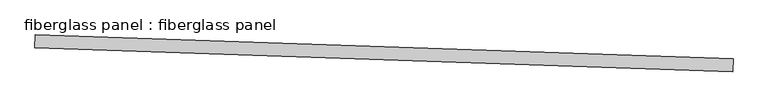
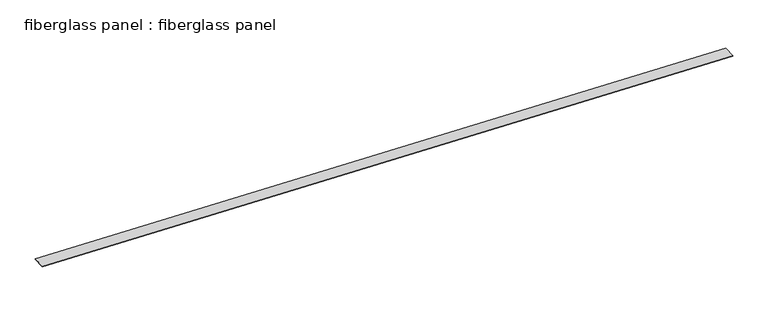
"""IFC4 building model written with IfcOpenShell, lengths in millimetres: proxy geometry, fiberglass panel : fiberglass panel."""

from ifc_helpers import new_model, si_unit, frame, origin, place, context, project, spatial, polyline, outline, extrude, source, transform, mapped, element, save


def fiberglass_panel_fiberglass_panel_1d20606c(model_context):
    return source(origin(), model_context, "Body", "SweptSolid", [
        extrude(outline(polyline([(34376.4831486, -14830.305724), (34365.5914843, -15148.5725373), (17306.7776213, -14564.7891634), (17317.6692856, -14246.52235), (34376.4831486, -14830.305724)])), frame((0.0, 0.0, 4176.0758047), z_axis=(0.0, 0.0, 1.0), x_axis=(1.0, 0.0, 0.0)), (0.0, 0.0, 1.0), 16.4243164),
    ])


if __name__ == "__main__":
    model = new_model("IFC4")
    model_context = context("Model", 3, world=origin())
    ifc_project = project(units=[si_unit("LENGTHUNIT", "METRE", prefix="MILLI")], contexts=[model_context])
    site = spatial("IfcSite", under=ifc_project)
    building = spatial("IfcBuilding", under=site)
    placement = place(None, origin())
    fiberglass_panel_fiberglass_panel_shape = fiberglass_panel_fiberglass_panel_1d20606c(model_context)
    element("IfcBuildingElementProxy", 1, Name="fiberglass panel : fiberglass panel", ObjectType="fiberglass panel : fiberglass panel", at=placement, inside=building, context=model_context, shape_type="MappedRepresentation", body=[
        mapped(fiberglass_panel_fiberglass_panel_shape, transform((0.0, 0.0, 0.0), x_axis=(1.0, 0.0, 0.0), y_axis=(0.0, 1.0, 0.0), z_axis=(0.0, 0.0, 1.0))),
    ])
    save(model, "model.ifc")
